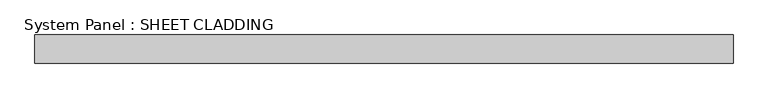
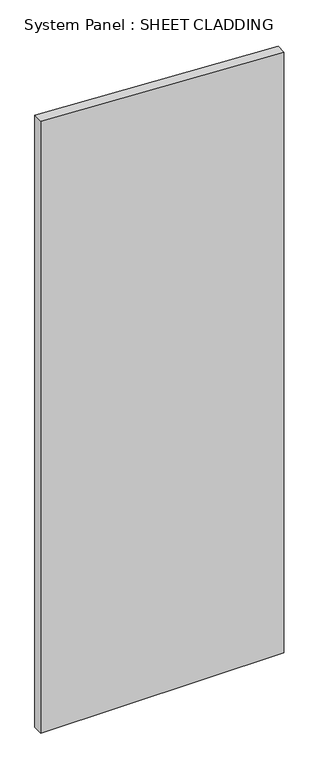
"""IFC4 building model written with IfcOpenShell, lengths in millimetres: plate geometry, System Panel : SHEET CLADDING."""

from ifc_helpers import new_model, si_unit, frame, origin, place, context, project, spatial, polyline, outline, extrude, source, transform, mapped, element, save


def system_panel_sheet_cladding_d8808874(model_context):
    return source(origin(), model_context, "Body", "SweptSolid", [
        extrude(outline(polyline([(0.0, -735.4591837), (0.0, 735.4591837), (3840.355102, 735.4591837), (3913.9010204, -735.4591837), (0.0, -735.4591837)])), frame((0.0, -10.5, 0.0), z_axis=(0.0, 1.0, 0.0), x_axis=(0.0, 0.0, 1.0)), (0.0, 0.0, 1.0), 60.0),
    ])


if __name__ == "__main__":
    model = new_model("IFC4")
    model_context = context("Model", 3, world=origin())
    ifc_project = project(units=[si_unit("LENGTHUNIT", "METRE", prefix="MILLI")], contexts=[model_context])
    site = spatial("IfcSite", under=ifc_project)
    building = spatial("IfcBuilding", under=site)
    placement = place(None, origin())
    system_panel_sheet_cladding_shape = system_panel_sheet_cladding_d8808874(model_context)
    element("IfcPlate", 1, ObjectType="System Panel : SHEET CLADDING", at=placement, inside=building, context=model_context, shape_type="MappedRepresentation", body=[
        mapped(system_panel_sheet_cladding_shape, transform((0.0, 0.0, 0.0), x_axis=(1.0, 0.0, 0.0), y_axis=(0.0, 1.0, 0.0), z_axis=(0.0, 0.0, 1.0))),
    ])
    save(model, "model.ifc")
